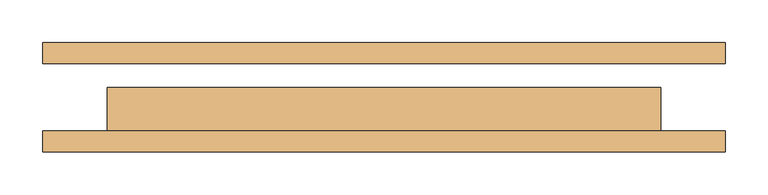
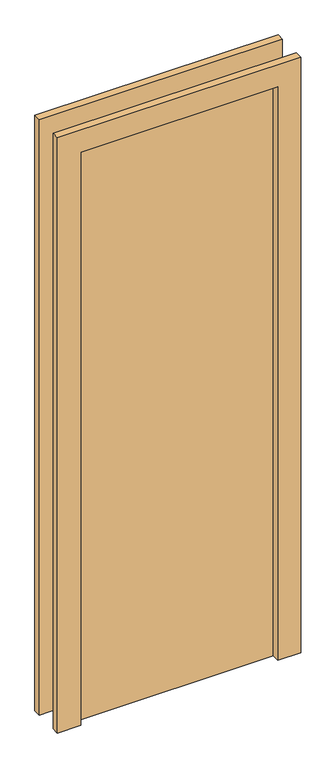
"""IFC4 building model written with IfcOpenShell, lengths in millimetres: door geometry."""

from ifc_helpers import new_model, si_unit, frame, origin, origin_with_axes, place, context, project, spatial, polyline, outline, extrude, source, transform, mapped, element, save


def door_b728f60b(model_context):
    return source(origin(), model_context, "Body", "SweptSolid", [
        extrude(outline(polyline([(2076.0, -401.0), (0.0, -401.0), (0.0, -325.0), (2000.0, -325.0), (2000.0, 325.0), (0.0, 325.0), (0.0, 401.0), (2076.0, 401.0), (2076.0, -401.0)])), frame((0.0, -64.5, 0.0), z_axis=(0.0, 1.0, 0.0), x_axis=(0.0, 0.0, 1.0)), (0.0, 0.0, 1.0), 25.0),
        extrude(outline(polyline([(2076.0, 401.0), (2076.0, -401.0), (0.0, -401.0), (0.0, -325.0), (2000.0, -325.0), (2000.0, 325.0), (0.0, 325.0), (0.0, 401.0), (2076.0, 401.0)])), frame((0.0, 39.5, 0.0), z_axis=(0.0, 1.0, 0.0), x_axis=(0.0, 0.0, 1.0)), (0.0, 0.0, 1.0), 25.0),
        extrude(outline(polyline([(325.0, 11.5), (325.0, -39.5), (-325.0, -39.5), (-325.0, 11.5), (325.0, 11.5)])), origin_with_axes(), (0.0, 0.0, 1.0), 2000.0),
    ])


if __name__ == "__main__":
    model = new_model("IFC4")
    model_context = context("Model", 3, world=origin())
    ifc_project = project(units=[si_unit("LENGTHUNIT", "METRE", prefix="MILLI")], contexts=[model_context])
    site = spatial("IfcSite", under=ifc_project)
    building = spatial("IfcBuilding", under=site)
    placement = place(None, origin())
    door_shape = door_b728f60b(model_context)
    element("IfcDoor", 1, at=placement, inside=building, context=model_context, shape_type="MappedRepresentation", body=[
        mapped(door_shape, transform((0.0, 0.0, 0.0), x_axis=(1.0, 0.0, 0.0), y_axis=(0.0, 1.0, 0.0), z_axis=(0.0, 0.0, 1.0))),
    ])
    save(model, "model.ifc")
